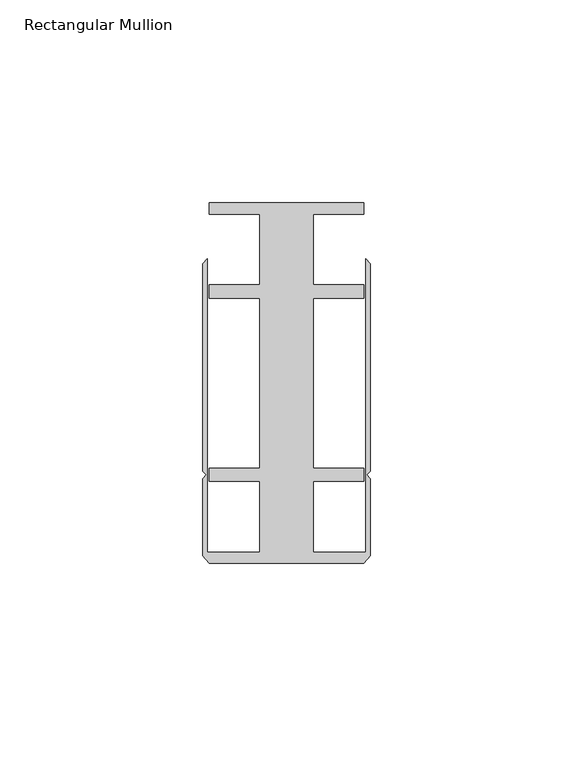
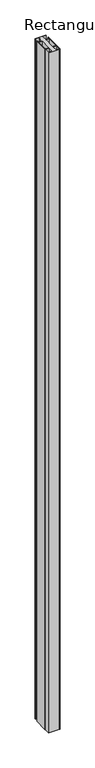
"""IFC4 building model written with IfcOpenShell, lengths in millimetres: member geometry, Rectangular Mullion."""

import ifcopenshell
import ifcopenshell.guid

model = None  # the IFC model being written
_history = None  # IfcOwnerHistory: only IFC2X3 demands one
_inside = {}  # id of a spatial element -> (the spatial element, [elements in it])
_under = {}  # id of a project, library or spatial element -> (it, [spatial elements below it])
_declared = {}  # id of a project -> (the project, [libraries it declares])
_typed = {}  # id of a type object -> (the type object, [elements of that type])
_made_of = {}  # id of a material, layer set ... -> (it, [elements and type objects made of it])


def new_model(schema):
    """Start an empty IFC model of exactly this schema.

    Asked for "IFC4X3", IfcOpenShell would pick the latest addendum, in which some entities
    have other attributes; the version numbers below select the first issue.
    IFC2X3 requires an IfcOwnerHistory on every rooted entity: one is made here for all.
    """
    global model, _history
    if schema == "IFC4X3":
        model = ifcopenshell.file(schema_version=(4, 3, 0, 0))
    else:
        model = ifcopenshell.file(schema=schema)
    _inside.clear()
    _under.clear()
    _declared.clear()
    _typed.clear()
    _made_of.clear()
    _history = None
    if model.schema == "IFC2X3":
        org = make("IfcOrganization", Name="unknown")
        user = make(
            "IfcPersonAndOrganization",
            ThePerson=make("IfcPerson", FamilyName="unknown"),
            TheOrganization=org,
        )
        app = make(
            "IfcApplication",
            ApplicationDeveloper=org,
            Version="unknown",
            ApplicationFullName="unknown",
            ApplicationIdentifier="unknown",
        )
        _history = make(
            "IfcOwnerHistory",
            OwningUser=user,
            OwningApplication=app,
            ChangeAction="ADDED",
            CreationDate=0,
        )
    return model


def make(cls, **values):
    """One entity of the class cls with the attributes given. An attribute that is None is left unset."""
    return model.create_entity(
        cls, **{name: value for name, value in values.items() if value is not None}
    )


def rooted(cls, **values):
    """An entity with a GlobalId (a new one), such as an element, a storey or a relation."""
    return make(cls, GlobalId=ifcopenshell.guid.new(), OwnerHistory=_history, **values)


def si_unit(unit_type, name, prefix=None):
    """IfcSIUnit, for example si_unit("LENGTHUNIT", "METRE", prefix="MILLI")."""
    return make("IfcSIUnit", UnitType=unit_type, Prefix=prefix, Name=name)


def assignment(units):
    """IfcUnitAssignment: the units of a project."""
    return None if units is None else make("IfcUnitAssignment", Units=units)


def point(xyz):
    """IfcCartesianPoint."""
    return None if xyz is None else make("IfcCartesianPoint", Coordinates=xyz)


def direction(xyz):
    """IfcDirection."""
    return None if xyz is None else make("IfcDirection", DirectionRatios=xyz)


def frame(location, z_axis=None, x_axis=None):
    """IfcAxis2Placement3D, a coordinate frame: its origin and axes. An axis left out is left unset."""
    return make(
        "IfcAxis2Placement3D",
        Location=point(location),
        Axis=direction(z_axis),
        RefDirection=direction(x_axis),
    )


def origin():
    """The frame at (0, 0, 0) with its axes left unset."""
    return frame((0.0, 0.0, 0.0))


def place(relative_to, where):
    """IfcLocalPlacement: puts the frame where relative to a parent placement (None: the world)."""
    return make(
        "IfcLocalPlacement", PlacementRelTo=relative_to, RelativePlacement=where
    )


def context(
    kind, dimensions, precision=None, world=None, true_north=None, identifier=None
):
    """IfcGeometricRepresentationContext, for example the 3D "Model" context."""
    return make(
        "IfcGeometricRepresentationContext",
        ContextIdentifier=identifier,
        ContextType=kind,
        CoordinateSpaceDimension=dimensions,
        Precision=precision,
        WorldCoordinateSystem=world,
        TrueNorth=true_north,
    )


def project(units=None, contexts=None):
    """IfcProject with its units and contexts."""
    return rooted(
        "IfcProject",
        Name="project",
        RepresentationContexts=contexts,
        UnitsInContext=assignment(units),
    )


def spatial(cls, under=None, at=None, **own):
    """A site, building, storey or space (cls), placed at a placement, below another one or the project."""
    s = rooted(cls, ObjectPlacement=at, **own)
    if under is not None:
        _under.setdefault(under.id(), (under, []))[1].append(s)
    return s


def polyline(points):
    """IfcPolyline through the points."""
    return make("IfcPolyline", Points=[point(p) for p in points])


def outline(outer, holes=None, kind="AREA"):
    """IfcArbitraryClosedProfileDef: a profile drawn as a closed curve; with holes, ...WithVoids."""
    if holes is None:
        return make("IfcArbitraryClosedProfileDef", ProfileType=kind, OuterCurve=outer)
    return make(
        "IfcArbitraryProfileDefWithVoids",
        ProfileType=kind,
        OuterCurve=outer,
        InnerCurves=holes,
    )


def extrude(swept, where, along, depth):
    """IfcExtrudedAreaSolid: the profile swept, set in the frame where, extruded along a direction by depth."""
    return make(
        "IfcExtrudedAreaSolid",
        SweptArea=swept,
        Position=where,
        ExtrudedDirection=direction(along),
        Depth=depth,
    )


def shape(context_of_items, identifier, shape_type, items):
    """IfcShapeRepresentation: the items that make up one representation, for example the "Body"."""
    return make(
        "IfcShapeRepresentation",
        ContextOfItems=context_of_items,
        RepresentationIdentifier=identifier,
        RepresentationType=shape_type,
        Items=items,
    )


def source(mapping_origin, context_of_items, identifier, shape_type, items):
    """IfcRepresentationMap: a shape defined once, which mapped items show again and again."""
    return make(
        "IfcRepresentationMap",
        MappingOrigin=mapping_origin,
        MappedRepresentation=shape(context_of_items, identifier, shape_type, items),
    )


def transform(
    local_origin,
    x_axis=None,
    y_axis=None,
    z_axis=None,
    scale=None,
    scale2=None,
    scale3=None,
    uniform=True,
):
    """IfcCartesianTransformationOperator3D, or its non-uniform kind. x_axis, y_axis, z_axis: its Axis1, 2, 3."""
    if uniform:
        return make(
            "IfcCartesianTransformationOperator3D",
            Axis1=direction(x_axis),
            Axis2=direction(y_axis),
            LocalOrigin=point(local_origin),
            Scale=scale,
            Axis3=direction(z_axis),
        )
    return make(
        "IfcCartesianTransformationOperator3DnonUniform",
        Axis1=direction(x_axis),
        Axis2=direction(y_axis),
        LocalOrigin=point(local_origin),
        Scale=scale,
        Axis3=direction(z_axis),
        Scale2=scale2,
        Scale3=scale3,
    )


def mapped(mapping_source, mapping_target):
    """IfcMappedItem: shows the shape of a source again, moved by a transform."""
    return make(
        "IfcMappedItem", MappingSource=mapping_source, MappingTarget=mapping_target
    )


def made_of(thing, what):
    """Note that an element or type object is made of a material, layer set ...; save() writes the relation."""
    if what is not None:
        _made_of.setdefault(what.id(), (what, []))[1].append(thing)
    return thing


def element(
    cls,
    number,
    at=None,
    inside=None,
    cuts=None,
    type_object=None,
    material=None,
    context=None,
    identifier="Body",
    shape_type=None,
    held_by="IfcProductDefinitionShape",
    body=None,
    shapes=None,
    **own,
):
    """One element of the class cls, such as IfcWall. Its Tag is "e" and its number.

    at: its placement. inside: the storey or other place that contains it. cuts: it is an
    opening in that element (IfcRelVoidsElement). A single representation is given by context,
    identifier, shape_type and body (its items); several are given by shapes. held_by: the class
    of the entity that holds the representations. save() writes the other relations.
    """
    e = rooted(cls, Tag="e%d" % number, ObjectPlacement=at, **own)
    if body is not None:
        shapes = [shape(context, identifier, shape_type, body)]
    if shapes is not None:
        e.Representation = make(held_by, Representations=shapes)
    if inside is not None:
        _inside.setdefault(inside.id(), (inside, []))[1].append(e)
    if cuts is not None:
        rooted(
            "IfcRelVoidsElement", RelatingBuildingElement=cuts, RelatedOpeningElement=e
        )
    if type_object is not None:
        _typed.setdefault(type_object.id(), (type_object, []))[1].append(e)
    return made_of(e, material)


def aggregate(whole, parts):
    """IfcRelAggregates: a whole, such as a stair, and the parts it consists of."""
    return rooted("IfcRelAggregates", RelatingObject=whole, RelatedObjects=parts)


def save(model, path):
    """Write the relations noted so far, then the file.

    IfcRelAggregates (storeys below a building ...), IfcRelContainedInSpatialStructure (elements
    in a storey), IfcRelDefinesByType, IfcRelAssociatesMaterial and IfcRelDeclares: one each for
    every whole, place, type object, material and project.
    """
    for whole, parts in _under.values():
        aggregate(whole, parts)
    for where, things in _inside.values():
        rooted(
            "IfcRelContainedInSpatialStructure",
            RelatedElements=things,
            RelatingStructure=where,
        )
    for kind, things in _typed.values():
        rooted("IfcRelDefinesByType", RelatedObjects=things, RelatingType=kind)
    for what, things in _made_of.values():
        rooted("IfcRelAssociatesMaterial", RelatedObjects=things, RelatingMaterial=what)
    for by, libraries in _declared.values():
        rooted("IfcRelDeclares", RelatingContext=by, RelatedDefinitions=libraries)
    model.write(path)


def rectangular_mullion_085320b1(model_context):
    return source(origin(), model_context, "Body", "SweptSolid", [
        extrude(outline(polyline([(6.6000002, 41.6500013), (6.6000002, 24.2500008), (19.05, 24.2500008), (19.05, 20.9500007), (6.6000002, 20.9500007), (6.6000002, -20.9500007), (19.05, -20.9500007), (19.05, -24.2500008), (6.6000002, -24.2500008), (6.6000002, -41.6500013), (19.4924102, -41.6500013), (19.4924102, 30.6159585), (20.6375, 29.4708687), (20.6375, -21.7153948), (19.7291674, -22.6237274), (20.6375, -23.53206), (20.6375, -42.5778955), (19.05, -44.45), (-19.05, -44.45), (-20.6375, -42.5778955), (-20.6375, -23.53206), (-19.7291674, -22.6237274), (-20.6375, -21.7153948), (-20.6375, 29.4708687), (-19.4924102, 30.6159585), (-19.4924102, -41.6500013), (-6.6000002, -41.6500013), (-6.6000002, -24.2500008), (-19.05, -24.2500008), (-19.05, -20.9500007), (-6.6000002, -20.9500007), (-6.6000002, 20.9500007), (-19.05, 20.9500007), (-19.05, 24.2500008), (-6.6000002, 24.2500008), (-6.6000002, 41.6500013), (-19.05, 41.6500013), (-19.05, 44.45), (19.05, 44.45), (19.05, 41.6500013), (6.6000002, 41.6500013)])), frame((0.0, 0.0, -2613.025), z_axis=(0.0, 0.0, 1.0), x_axis=(1.0, 0.0, 0.0)), (0.0, 0.0, 1.0), 2613.025),
    ])


if __name__ == "__main__":
    model = new_model("IFC4")
    model_context = context("Model", 3, world=origin())
    ifc_project = project(units=[si_unit("LENGTHUNIT", "METRE", prefix="MILLI")], contexts=[model_context])
    site = spatial("IfcSite", under=ifc_project)
    building = spatial("IfcBuilding", under=site)
    placement = place(None, origin())
    rectangular_mullion_shape = rectangular_mullion_085320b1(model_context)
    element("IfcMember", 1, ObjectType="Rectangular Mullion", at=placement, inside=building, context=model_context, shape_type="MappedRepresentation", body=[
        mapped(rectangular_mullion_shape, transform((0.0, 0.0, 0.0), x_axis=(1.0, 0.0, 0.0), y_axis=(0.0, 1.0, 0.0), z_axis=(0.0, 0.0, 1.0))),
    ])
    save(model, "model.ifc")
